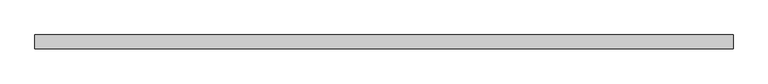
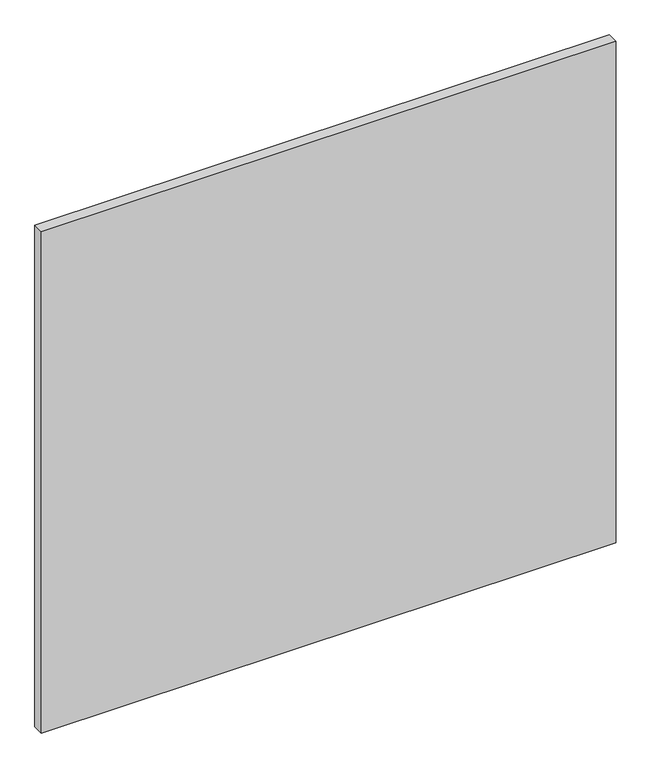
"""IFC4 building model written with IfcOpenShell, lengths in millimetres: plate geometry."""

from ifc_helpers import new_model, si_unit, origin, origin_with_axes, place, context, project, spatial, polyline, outline, extrude, source, transform, mapped, element, save


def plate_137c6c30(model_context):
    return source(origin(), model_context, "Body", "SweptSolid", [
        extrude(outline(polyline([(891.3125, -17.5), (-891.3125, -17.5), (-891.3125, 17.5), (891.3125, 17.5), (891.3125, -17.5)])), origin_with_axes(), (0.0, 0.0, 1.0), 1643.8125),
    ])


if __name__ == "__main__":
    model = new_model("IFC4")
    model_context = context("Model", 3, world=origin())
    ifc_project = project(units=[si_unit("LENGTHUNIT", "METRE", prefix="MILLI")], contexts=[model_context])
    site = spatial("IfcSite", under=ifc_project)
    building = spatial("IfcBuilding", under=site)
    placement = place(None, origin())
    plate_shape = plate_137c6c30(model_context)
    element("IfcPlate", 1, at=placement, inside=building, context=model_context, shape_type="MappedRepresentation", body=[
        mapped(plate_shape, transform((0.0, 0.0, 0.0), x_axis=(1.0, 0.0, 0.0), y_axis=(0.0, 1.0, 0.0), z_axis=(0.0, 0.0, 1.0))),
    ])
    save(model, "model.ifc")
